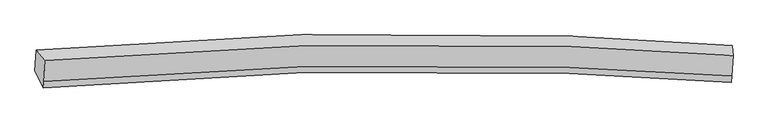
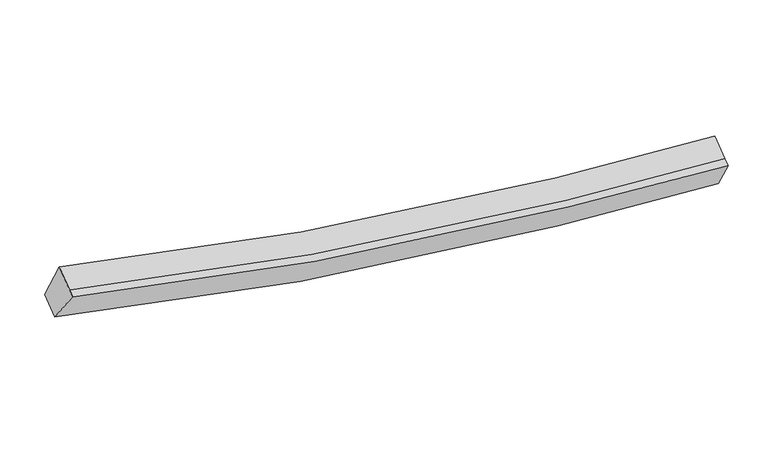
"""IFC4 building model written with IfcOpenShell, lengths in millimetres: proxy geometry."""

from ifc_helpers import new_model, si_unit, frame, origin, place, context, project, spatial, source, transform, mapped, element, save
from ifc_brep_helpers import plane_surface, spline_curve, spline_surface, advanced_brep


def generic_models_cf05e9d6(model_context):
    return source(origin(), model_context, "Body", "AdvancedBrep", [
        advanced_brep(
        [(-7660.7654458, -1836.3957615, 4184.4144004), (-7481.9874819, -2039.3703322, 4848.9886243), (6068.2650912, -1940.2185627, 2886.3339181), (6048.0726669, -1744.5197501, 2228.3585324), (-7512.0761541, -2460.1577961, 4614.1050965), (6039.1270596, -2347.7114005, 2658.8714495), (-7521.111916, -2586.5221412, 4543.5685294), (6030.0912977, -2474.0757456, 2588.3348824), (-7690.0726241, -2246.2541025, 3955.6315081), (6019.2953896, -2146.9674708, 2003.7122478)],
        [
            (0, 1),
            (1, 2, spline_curve(3, [(-7481.9874819, -2039.3703322, 4848.9886243), (-4071.09602491, -1736.116927979, 3840.346979395), (-616.680661817, -1646.196523872, 3220.467382552), (3939.609701824, -1806.949346349, 2919.421942122), (5001.945196795, -1863.819161781, 2885.083304201), (6068.2650912, -1940.2185627, 2886.3339181)], [4, 2, 4], [0.0, 34.80773717563516, 45.33931132641292])),
            (2, 3),
            (3, 0, spline_curve(3, [(6048.0726669, -1744.5197501, 2228.3585324), (4974.669511297, -1664.088180852, 2215.090654834), (3904.043885674, -1603.991947626, 2240.084759698), (-693.131860888, -1432.817944893, 2512.407528774), (-4192.118938792, -1523.539516369, 3139.432047286), (-7660.7654458, -1836.3957615, 4184.4144004)], [4, 2, 4], [0.0, 10.531574150777757, 45.33931132641292])),
            (1, 4),
            (4, 5, spline_curve(3, [(-7512.0761541, -2460.1577961, 4614.1050965), (-4100.624542444, -2149.070682023, 3609.836228159), (-645.892299624, -2054.718735451, 2992.430317136), (3910.493940825, -2214.130732525, 2692.133325932), (4972.829435828, -2271.000547816, 2657.794688188), (6039.1270596, -2347.7114005, 2658.8714495)], [4, 2, 4], [0.0, 34.60448702336721, 45.07456496027258])),
            (5, 2),
            (4, 6),
            (6, 7, spline_curve(3, [(-7521.111916, -2586.5221412, 4543.5685294), (-4109.660304327, -2275.435028004, 3539.299660602), (-654.928061769, -2181.083080152, 2921.893749408), (3901.458178999, -2340.495077746, 2621.596759152), (4963.793673846, -2397.364892796, 2587.258120798), (6030.0912977, -2474.0757456, 2588.3348824)], [4, 2, 4], [0.0, 34.6044626748213, 45.074533244729054])),
            (7, 5),
            (6, 8),
            (8, 9, spline_curve(3, [(-7690.0726241, -2246.2541025, 3955.6315081), (-4220.510106405, -1920.587518673, 2917.799884739), (-721.206147838, -1825.43440567, 2293.249053507), (3875.601948879, -2001.749960198, 2018.056269462), (4946.087327804, -2063.807528698, 1991.967347644), (6019.2953896, -2146.9674708, 2003.7122478)], [4, 2, 4], [0.0, 34.80766285226704, 45.33921451545652])),
            (9, 7),
            (8, 0),
            (3, 9),
        ],
        [
            spline_surface(3, 3, [[(-7660.7654458, -1836.3957615, 4184.4144004), (-4192.118939316, -1523.5395158, 3139.43204683), (-693.131860688, -1432.817945425, 2512.407529086), (3904.043885613, -1603.991947465, 2240.084759604), (4974.669511225, -1664.088180713, 2215.090654692), (6048.0726669, -1744.5197501, 2228.3585324)], [(-7601.172791175, -1904.053951707, 4405.939141685), (-4151.777967804, -1594.398653315, 3373.070357666), (-667.648127807, -1503.944138092, 2748.427480081), (3915.899157706, -1671.6444138, 2466.530487195), (4983.761406439, -1730.665174335, 2438.421537881), (6054.803474997, -1809.752687623, 2447.683660954)], [(-7541.580136525, -1971.712141993, 4627.463883015), (-4111.436996266, -1665.25779091, 3606.708668548), (-642.164394924, -1575.070330769, 2984.447430991), (3927.7544298, -1739.296880145, 2692.976214702), (4992.853301662, -1797.242167987, 2661.752421108), (6061.534283103, -1874.985625177, 2667.008789546)], [(-7481.9874819, -2039.3703322, 4848.9886243), (-4071.096024754, -1736.116928426, 3840.346979384), (-616.680662042, -1646.196523437, 3220.467381987), (3939.609701892, -1806.949346481, 2919.421942293), (5001.945196876, -1863.819161609, 2885.083304297), (6068.2650912, -1940.2185627, 2886.3339181)]], [4, 4], [4, 2, 4], [0.0, 2.408606467746041], [0.0, 34.80773717563516, 45.33931132641292]),
            spline_surface(3, 3, [[(-7481.9874819, -2039.3703322, 4848.9886243), (-4071.096024754, -1736.116928426, 3840.346979384), (-616.680662042, -1646.196523437, 3220.467381987), (3939.609701892, -1806.949346481, 2919.421942293), (5001.945196876, -1863.819161609, 2885.083304297), (6068.2650912, -1940.2185627, 2886.3339181)], [(-7492.017039285, -2179.632820179, 4770.694115026), (-4080.938864021, -1873.768179752, 3763.510062195), (-626.417874576, -1782.370594085, 3144.455026931), (3929.904448224, -1942.676475181, 2843.659070196), (4992.239943208, -1999.54629031, 2809.320432201), (6058.552414014, -2076.049508642, 2810.513095227)], [(-7502.046596715, -2319.895308121, 4692.399605774), (-4090.781703332, -2011.419431043, 3686.673145027), (-636.155087152, -1918.544664706, 3068.442671894), (3920.199194513, -2078.403603854, 2767.896198118), (4982.534689497, -2135.273418983, 2733.557560122), (6048.839736786, -2211.880454558, 2734.692272373)], [(-7512.0761541, -2460.1577961, 4614.1050965), (-4100.624542599, -2149.07068237, 3609.836227838), (-645.892299686, -2054.718735354, 2992.430316839), (3910.493940844, -2214.130732554, 2692.133326021), (4972.829435828, -2271.000547683, 2657.794688026), (6039.1270596, -2347.7114005, 2658.8714495)]], [4, 4], [4, 2, 4], [0.0, 1.5428083032714675], [0.0, 34.60448702336721, 45.07456496027258]),
            spline_surface(3, 3, [[(-7512.0761541, -2460.1577961, 4614.1050965), (-4100.624542599, -2149.07068237, 3609.836227838), (-645.892299686, -2054.718735354, 2992.430316839), (3910.493940844, -2214.130732554, 2692.133326021), (4972.829435828, -2271.000547683, 2657.794688026), (6039.1270596, -2347.7114005, 2658.8714495)], [(-7515.088074747, -2502.279244468, 4590.592907479), (-4103.636463246, -2191.192130738, 3586.324038818), (-648.904220333, -2096.840183722, 2968.918127819), (3907.482020197, -2256.252180922, 2668.621137001), (4969.817515181, -2313.121996051, 2634.282499005), (6036.115138953, -2389.832848868, 2635.35926048)], [(-7518.099995353, -2544.400692832, 4567.080718421), (-4106.648383852, -2233.313579102, 3562.811849759), (-651.916140938, -2138.961632086, 2945.40593886), (3904.470099591, -2298.373629287, 2645.108948042), (4966.805594575, -2355.243444415, 2610.770309946), (6033.103218347, -2431.954297232, 2611.84707142)], [(-7521.111916, -2586.5221412, 4543.5685294), (-4109.660304499, -2275.43502747, 3539.299660738), (-654.928061586, -2181.083080454, 2921.893749839), (3901.458178944, -2340.495077654, 2621.596759021), (4963.793673928, -2397.364892783, 2587.258120926), (6030.0912977, -2474.0757456, 2588.3348824)]], [4, 4], [4, 2, 4], [0.0, 0.47572178477690413], [0.0, 34.6044626748213, 45.074533244729054]),
            spline_surface(3, 3, [[(-7521.111916, -2586.5221412, 4543.5685294), (-4109.660304499, -2275.43502747, 3539.299660738), (-654.928061586, -2181.083080454, 2921.893749839), (3901.458178944, -2340.495077654, 2621.596759021), (4963.793673928, -2397.364892783, 2587.258120926), (6030.0912977, -2474.0757456, 2588.3348824)], [(-7577.432152042, -2473.099461647, 4347.589522311), (-4146.610238449, -2157.152524495, 3332.133068608), (-677.020756905, -2062.533522326, 2712.34551755), (3892.839435581, -2227.580038449, 2420.416595889), (4957.891558607, -2286.17910471, 2388.827863136), (6026.492661675, -2365.039653988, 2393.460670862)], [(-7633.752388058, -2359.676782053, 4151.610515189), (-4183.560172372, -2038.870021478, 3124.966476445), (-699.113452274, -1943.983964228, 2502.797285259), (3884.220692168, -2114.664999273, 2219.236432756), (4951.98944326, -2174.993316673, 2190.397605361), (6022.894025625, -2256.003562412, 2198.586459338)], [(-7690.0726241, -2246.2541025, 3955.6315081), (-4220.510106322, -1920.587518503, 2917.799884315), (-721.206147593, -1825.434406101, 2293.24905297), (3875.601948805, -2001.749960068, 2018.056269624), (4946.087327938, -2063.807528601, 1991.967347572), (6019.2953896, -2146.9674708, 2003.7122478)]], [4, 4], [4, 2, 4], [0.0, 2.3496543113019692], [0.0, 34.80766285226704, 45.33921451545652]),
            spline_surface(3, 3, [[(-7690.0726241, -2246.2541025, 3955.6315081), (-4220.510106322, -1920.587518503, 2917.799884315), (-721.206147593, -1825.434406101, 2293.24905297), (3875.601948805, -2001.749960068, 2018.056269624), (4946.087327938, -2063.807528601, 1991.967347572), (6019.2953896, -2146.9674708, 2003.7122478)], [(-7680.30356465, -2109.6346555, 4031.892472198), (-4211.04638397, -1788.238184269, 2991.677271818), (-711.848051975, -1694.562252545, 2366.30187834), (3885.082594392, -1869.16395587, 2092.065766282), (4955.614722362, -1930.567745983, 2066.341783289), (6028.887815361, -2012.818230578, 2078.594342677)], [(-7670.53450525, -1973.0152085, 4108.153436302), (-4201.582661668, -1655.888850034, 3065.554659326), (-702.489956307, -1563.690098981, 2439.354703717), (3894.563240027, -1736.577951663, 2166.075262946), (4965.142116802, -1797.32796333, 2140.716218974), (6038.480241139, -1878.668990322, 2153.476437523)], [(-7660.7654458, -1836.3957615, 4184.4144004), (-4192.118939316, -1523.5395158, 3139.43204683), (-693.131860688, -1432.817945425, 2512.407529086), (3904.043885613, -1603.991947465, 2240.084759604), (4974.669511225, -1664.088180713, 2215.090654692), (6048.0726669, -1744.5197501, 2228.3585324)]], [4, 4], [4, 2, 4], [0.0, 1.4888983916326943], [0.0, 35.01109759800026, 45.60420132643097]),
            plane_surface(frame((6041.4311114, -2076.4453823, 2426.6848952), z_axis=(0.9979264139960019, -0.046536332043232875, -0.04446618995419068), x_axis=(-0.01611329563327491, 0.4882213057250444, -0.8725710964385466))),
            plane_surface(frame((-7588.484367, -2177.1355844, 4383.1507656), z_axis=(-0.9684297141083238, -0.06507831880702154, 0.2406422682184532), x_axis=(-0.06231559959519334, -0.8714782420898839, -0.4864590831827661))),
        ],
        [
            (0, [[1, 2, 3, 4]]),
            (1, [[5, 6, 7, -2]]),
            (2, [[8, 9, 10, -6]]),
            (3, [[11, 12, 13, -9]]),
            (4, [[14, -4, 15, -12]]),
            (5, [[-13, -15, -3, -7, -10]]),
            (6, [[-14, -11, -8, -5, -1]]),
        ],
    ),
    ])


if __name__ == "__main__":
    model = new_model("IFC4")
    model_context = context("Model", 3, world=origin())
    ifc_project = project(units=[si_unit("LENGTHUNIT", "METRE", prefix="MILLI")], contexts=[model_context])
    site = spatial("IfcSite", under=ifc_project)
    building = spatial("IfcBuilding", under=site)
    placement = place(None, origin())
    generic_models_shape = generic_models_cf05e9d6(model_context)
    element("IfcBuildingElementProxy", 1, Name="Generic Models", at=placement, inside=building, context=model_context, shape_type="MappedRepresentation", body=[
        mapped(generic_models_shape, transform((0.0, 0.0, 0.0), x_axis=(1.0, 0.0, 0.0), y_axis=(0.0, 1.0, 0.0), z_axis=(0.0, 0.0, 1.0))),
    ])
    save(model, "model.ifc")
